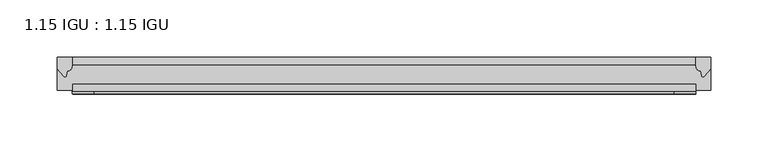
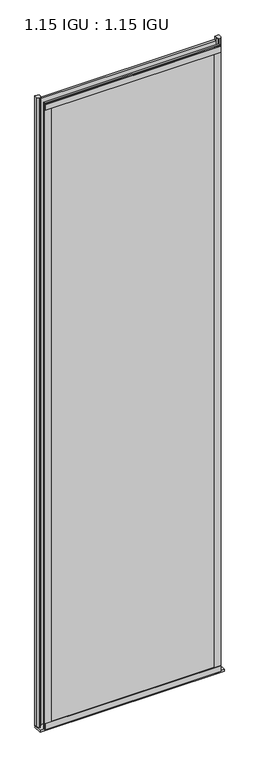
"""IFC4 building model written with IfcOpenShell, lengths in millimetres: plate geometry, 1.15 IGU : 1.15 IGU."""

from ifc_helpers import new_model, si_unit, point, frame, frame_2d, origin, place, context, project, spatial, polyline, circle_curve, trimmed, segment, composite_curve, outline, extrude, source, transform, mapped, element, save


def plate_1_15_igu_1_15_igu_44d3b3d7(model_context):
    return source(origin(), model_context, "Body", "SweptSolid", [
        extrude(outline(polyline([(303.3484536, 0.0), (303.3484536, -6.2992), (-239.2642536, -6.2992), (-239.2642536, 0.0), (303.3484536, 0.0)])), frame((0.0, 0.0, -19.05), z_axis=(0.0, 0.0, 1.0), x_axis=(1.0, 0.0, 0.0)), (0.0, 0.0, 1.0), 2041.5250001),
        extrude(outline(polyline([(-239.2642536, -23.1648), (303.3484536, -23.1648), (303.3484536, -29.464), (-239.2642536, -29.464), (-239.2642536, -23.1648)])), frame((0.0, 0.0, -19.05), z_axis=(0.0, 0.0, 1.0), x_axis=(1.0, 0.0, 0.0)), (0.0, 0.0, 1.0), 2041.5250001),
        extrude(outline(composite_curve([segment(trimmed(circle_curve(frame_2d((10.9021792, -22.6833935)), 11.4916952), [point((0.0, -19.05))], [point((-0.2638007, -25.4))], True, "CARTESIAN"), True, "CONTINUOUS"), segment(polyline([(-0.2638007, -25.4), (-27.9952564, -25.4), (-27.9952564, -19.05), (0.0, -19.05)]), True, "CONTINUOUS")], self_intersect=False)), frame((-252.5484536, 0.0, 0.0), z_axis=(1.0, 0.0, 0.0), x_axis=(0.0, 1.0, 0.0)), (0.0, 0.0, 1.0), 568.5969072),
        extrude(outline(composite_curve([segment(polyline([(316.0484536, 0.0), (316.0484536, -9.7395025), (310.4822227, -16.3730781)]), True, "CONTINUOUS"), segment(trimmed(circle_curve(frame_2d((309.5285477, -15.7728374)), 1.1268473), [point((310.4822227, -16.3730781))], [point((308.4275948, -16.0130197))], False, "CARTESIAN"), True, "CONTINUOUS"), segment(polyline([(308.4275948, -16.0130197), (307.4474033, -11.7377885)]), True, "CONTINUOUS"), segment(trimmed(circle_curve(frame_2d((307.3199515, -7.7683362)), 3.9714979), [point((307.4474033, -11.7377885))], [point((303.3486322, -7.8060014))], False, "CARTESIAN"), True, "CONTINUOUS"), segment(polyline([(303.3486322, -7.8060014), (303.3486322, 0.0), (316.0484536, 0.0)]), True, "CONTINUOUS")], self_intersect=False)), frame((0.0, 0.0, -19.05), z_axis=(0.0, 0.0, 1.0), x_axis=(1.0, 0.0, 0.0)), (0.0, 0.0, 1.0), 2051.8374001),
        extrude(outline(composite_curve([segment(polyline([(-239.8484536, 8.8e-06), (-239.8484536, -7.7683362)]), True, "CONTINUOUS"), segment(trimmed(circle_curve(frame_2d((-243.8199515, -7.7683362)), 3.9714979), [point((-239.8484536, -7.7683362))], [point((-243.9474033, -11.7377885))], False, "CARTESIAN"), True, "CONTINUOUS"), segment(polyline([(-243.9474033, -11.7377885), (-244.9274379, -16.012436)]), True, "CONTINUOUS"), segment(trimmed(circle_curve(frame_2d((-246.0286469, -15.7723555)), 1.1270758), [point((-244.9274379, -16.012436))], [point((-246.9824863, -16.372764))], False, "CARTESIAN"), True, "CONTINUOUS"), segment(polyline([(-246.9824863, -16.372764), (-252.5484536, -9.7395025), (-252.5484536, 8.8e-06), (-239.8484536, 8.8e-06)]), True, "CONTINUOUS")], self_intersect=False)), frame((0.0, 0.0, -19.05), z_axis=(0.0, 0.0, 1.0), x_axis=(1.0, 0.0, 0.0)), (0.0, 0.0, 1.0), 2051.8374001),
        extrude(outline(polyline([(-239.2642536, -31.75), (-239.2642536, -29.464), (303.3484536, -29.464), (303.3484536, -31.75), (-239.2642536, -31.75)])), frame((0.0, 0.0, -19.05), z_axis=(0.0, 0.0, 1.0), x_axis=(1.0, 0.0, 0.0)), (0.0, 0.0, 1.0), 19.05),
        extrude(outline(polyline([(-239.2642536, -31.75), (-239.2642536, -29.464), (303.3484536, -29.464), (303.3484536, -31.75), (-239.2642536, -31.75)])), frame((0.0, 0.0, 2000.2500001), z_axis=(0.0, 0.0, 1.0), x_axis=(1.0, 0.0, 0.0)), (0.0, 0.0, 1.0), 19.05),
        extrude(outline(polyline([(284.2984536, -29.464), (303.3484536, -29.464), (303.3484536, -31.75), (284.2984536, -31.75), (284.2984536, -29.464)])), frame((0.0, 0.0, -19.05), z_axis=(0.0, 0.0, 1.0), x_axis=(1.0, 0.0, 0.0)), (0.0, 0.0, 1.0), 2041.5250001),
        extrude(outline(polyline([(-239.8484536, -31.75), (-239.8484536, -29.464), (-220.7984536, -29.464), (-220.7984536, -31.75), (-239.8484536, -31.75)])), frame((0.0, 0.0, -19.05), z_axis=(0.0, 0.0, 1.0), x_axis=(1.0, 0.0, 0.0)), (0.0, 0.0, 1.0), 2041.5250001),
    ])


if __name__ == "__main__":
    model = new_model("IFC4")
    model_context = context("Model", 3, world=origin())
    ifc_project = project(units=[si_unit("LENGTHUNIT", "METRE", prefix="MILLI")], contexts=[model_context])
    site = spatial("IfcSite", under=ifc_project)
    building = spatial("IfcBuilding", under=site)
    placement = place(None, origin())
    plate_1_15_igu_1_15_igu_shape = plate_1_15_igu_1_15_igu_44d3b3d7(model_context)
    element("IfcPlate", 1, ObjectType="1.15 IGU : 1.15 IGU", at=placement, inside=building, context=model_context, shape_type="MappedRepresentation", body=[
        mapped(plate_1_15_igu_1_15_igu_shape, transform((0.0, 0.0, 0.0), x_axis=(1.0, 0.0, 0.0), y_axis=(0.0, 1.0, 0.0), z_axis=(0.0, 0.0, 1.0))),
    ])
    save(model, "model.ifc")
